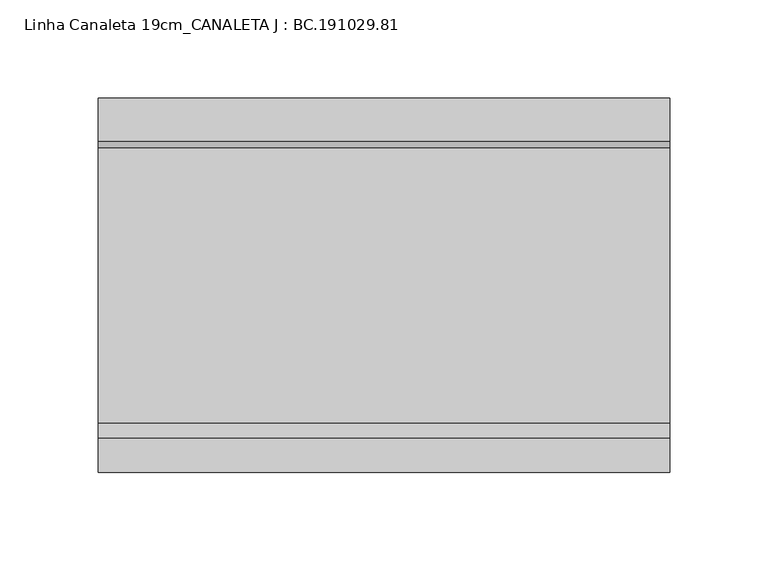
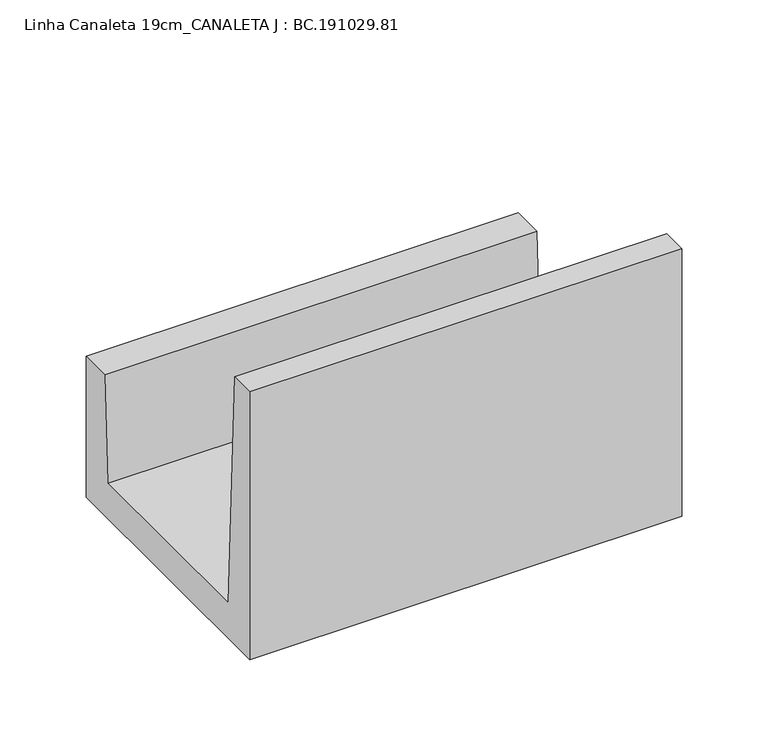
"""IFC4 building model written with IfcOpenShell, lengths in millimetres: proxy geometry, Linha Canaleta 19cm_CANALETA J : BC.191029.81."""

from ifc_helpers import new_model, si_unit, frame, origin, place, context, project, spatial, polyline, outline, extrude, source, transform, mapped, element, save


def linha_canaleta_19cm_canaleta_j_bc_191029_81_3dc033c2(model_context):
    return source(origin(), model_context, "Body", "SweptSolid", [
        extrude(outline(polyline([(95.0050293, 99.9938965), (95.0050293, 0.0), (-95.0050293, 0.0), (-95.0050293, 189.9977051), (-77.4923553, 189.9977051), (-70.0019043, 25.003125), (70.0019043, 25.003125), (73.4063477, 99.9938965), (95.0050293, 99.9938965)])), frame((5.0, 0.0, 0.0), z_axis=(1.0, 0.0, 0.0), x_axis=(0.0, 1.0, 0.0)), (0.0, 0.0, 1.0), 290.0),
    ])


if __name__ == "__main__":
    model = new_model("IFC4")
    model_context = context("Model", 3, world=origin())
    ifc_project = project(units=[si_unit("LENGTHUNIT", "METRE", prefix="MILLI")], contexts=[model_context])
    site = spatial("IfcSite", under=ifc_project)
    building = spatial("IfcBuilding", under=site)
    placement = place(None, origin())
    linha_canaleta_19cm_canaleta_j_bc_191029_81_shape = linha_canaleta_19cm_canaleta_j_bc_191029_81_3dc033c2(model_context)
    element("IfcBuildingElementProxy", 1, Name="Linha Canaleta 19cm_CANALETA J : BC.191029.81", ObjectType="Linha Canaleta 19cm_CANALETA J : BC.191029.81", at=placement, inside=building, context=model_context, shape_type="MappedRepresentation", body=[
        mapped(linha_canaleta_19cm_canaleta_j_bc_191029_81_shape, transform((0.0, 0.0, 0.0), x_axis=(1.0, 0.0, 0.0), y_axis=(0.0, 1.0, 0.0), z_axis=(0.0, 0.0, 1.0))),
    ])
    save(model, "model.ifc")
